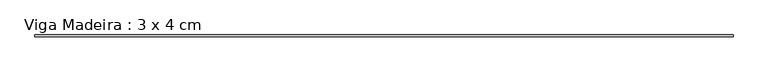
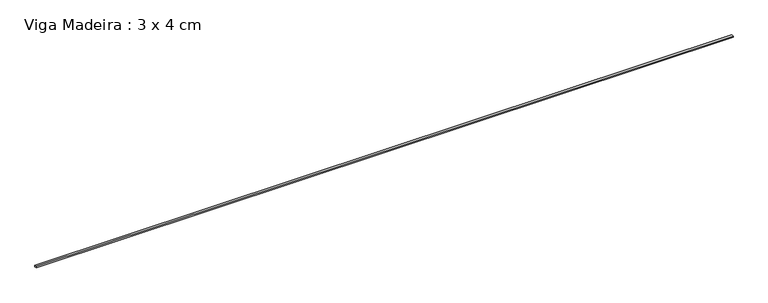
"""IFC4 building model written with IfcOpenShell, lengths in millimetres: beam geometry, Viga Madeira : 3 x 4 cm."""

from ifc_helpers import new_model, si_unit, frame, origin, place, context, project, spatial, polyline, outline, extrude, source, transform, mapped, element, save


def viga_madeira_3_x_4_cm_db106edb(model_context):
    return source(origin(), model_context, "Body", "SweptSolid", [
        extrude(outline(polyline([(7324.7347339, 20.0), (7324.7347339, -20.0), (-7324.7347339, -20.0), (-7324.7347339, 20.0), (7324.7347339, 20.0)])), frame((0.0, 0.0, -15.0), z_axis=(0.0, 0.0, 1.0), x_axis=(1.0, 0.0, 0.0)), (0.0, 0.0, 1.0), 30.0),
    ])


if __name__ == "__main__":
    model = new_model("IFC4")
    model_context = context("Model", 3, world=origin())
    ifc_project = project(units=[si_unit("LENGTHUNIT", "METRE", prefix="MILLI")], contexts=[model_context])
    site = spatial("IfcSite", under=ifc_project)
    building = spatial("IfcBuilding", under=site)
    placement = place(None, origin())
    viga_madeira_3_x_4_cm_shape = viga_madeira_3_x_4_cm_db106edb(model_context)
    element("IfcBeam", 1, ObjectType="Viga Madeira : 3 x 4 cm", at=placement, inside=building, context=model_context, shape_type="MappedRepresentation", body=[
        mapped(viga_madeira_3_x_4_cm_shape, transform((0.0, 0.0, 0.0), x_axis=(1.0, 0.0, 0.0), y_axis=(0.0, 1.0, 0.0), z_axis=(0.0, 0.0, 1.0))),
    ])
    save(model, "model.ifc")
